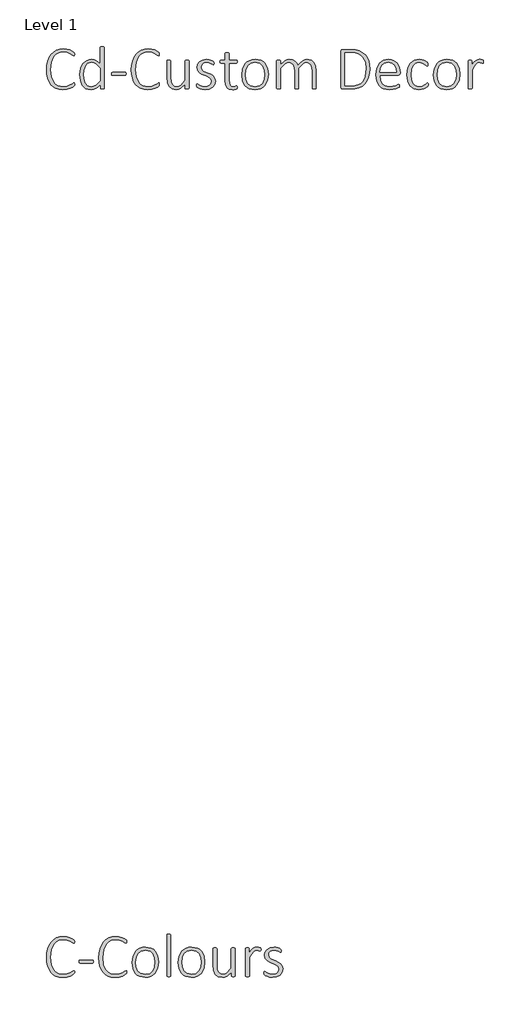
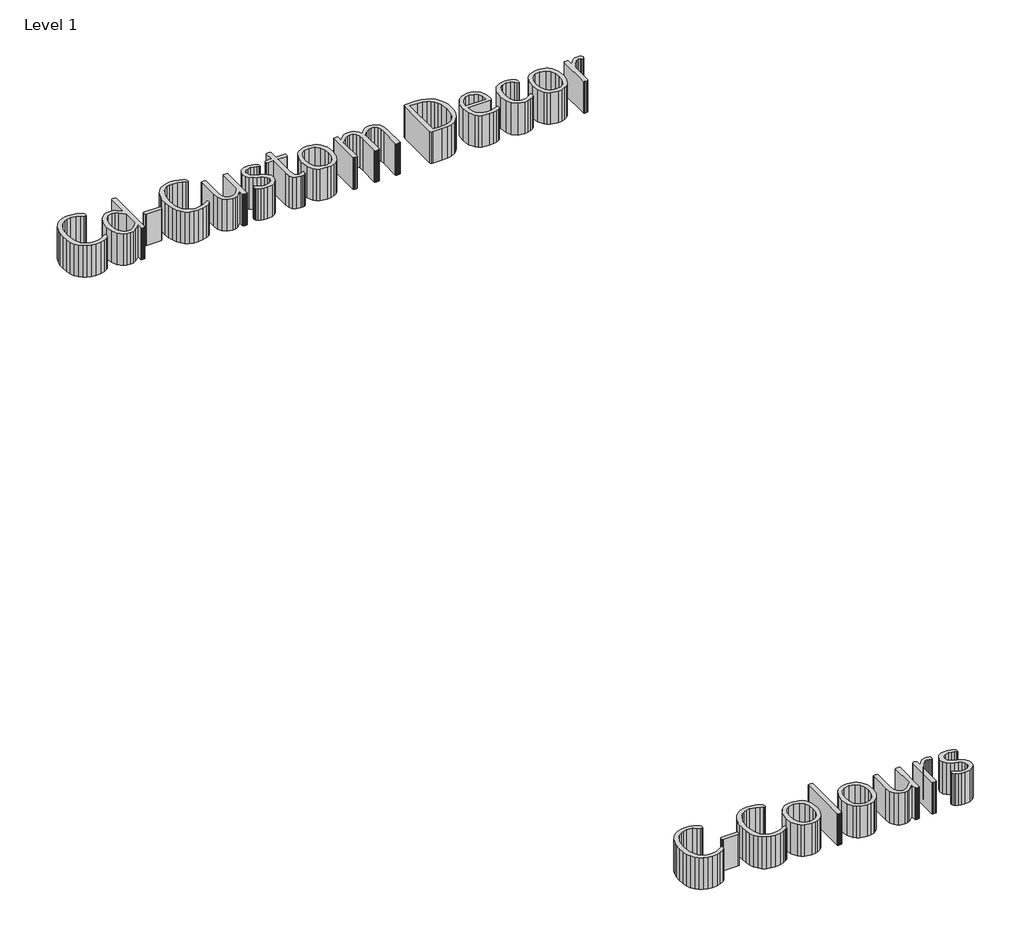
# One storey, part 3 of 4: 2 proxies.
"""IFC4 building model written with IfcOpenShell, lengths in millimetres."""

from ifc_helpers import new_model, si_unit, origin, origin_with_axes, place, context, project, spatial, polyline, outline, extrude, element, save

model = new_model("IFC4")

# Units and contexts
model_context = context("Model", 3, world=origin())
ifc_project = project(units=[si_unit("LENGTHUNIT", "METRE", prefix="MILLI")], contexts=[model_context])

# Site, building, storey
site = spatial("IfcSite", under=ifc_project)
building = spatial("IfcBuilding", under=site)
storey = spatial("IfcBuildingStorey", under=building, Name="Level 1", Elevation=0.0)

# Proxies
placement = place(None, origin())
element("IfcBuildingElementProxy", 1, Name="Generic Models", at=placement, inside=storey, context=model_context, shape_type="SweptSolid", body=[
    extrude(outline(polyline([(-8535.2690335, 1375.5982531), (-8535.4291258, 1372.620538), (-8535.9094024, 1370.2831917), (-8536.8059188, 1368.3620851), (-8538.9511544, 1366.0247388), (-8545.7390643, 1361.2860093), (-8558.8666258, 1354.7862654), (-8577.0531012, 1349.2790933), (-8599.754177, 1346.9737654), (-8618.7331089, 1348.7587936), (-8635.8389618, 1354.1138781), (-8650.7995791, 1362.9029406), (-8663.342804, 1374.9899027), (-8673.3725812, 1390.3187321), (-8680.7928553, 1408.8333966), (-8685.3794972, 1430.3657992), (-8686.9083778, 1454.7478433), (-8685.2674326, 1479.8903254), (-8680.3445971, 1502.2952306), (-8672.4440464, 1521.7464345), (-8661.8699557, 1538.0278126), (-8648.766408, 1550.9952818), (-8633.2774864, 1560.5047593), (-8615.707366, 1566.3401204), (-8596.3602221, 1568.2852408), (-8577.9175991, 1566.5242265), (-8561.3960827, 1562.0096261), (-8547.8522815, 1555.7019929), (-8539.6235417, 1549.9706917), (-8536.8059188, 1546.960958), (-8535.9094024, 1545.0398515), (-8535.4291258, 1542.6064499), (-8535.2690335, 1539.5967162), (-8535.5251811, 1536.1387244), (-8536.3576606, 1533.6092675), (-8537.7664721, 1531.9763269), (-8539.7516155, 1531.3999949), (-8546.2833778, 1534.5698208), (-8557.3937774, 1541.6458966), (-8574.2354782, 1548.7219724), (-8597.9611442, 1551.8917982), (-8612.4014618, 1550.3228945), (-8625.6250786, 1545.6161835), (-8637.3438286, 1537.8517111), (-8647.2695458, 1527.1095236), (-8661.3576606, 1497.0121876), (-8666.4165745, 1455.9005072), (-8661.8059188, 1416.5178228), (-8648.4862467, 1387.5091138), (-8638.7446355, 1377.1271338), (-8626.9378348, 1369.5467675), (-8613.2259367, 1364.9120979), (-8597.7690335, 1363.367208), (-8574.4916258, 1366.5370339), (-8557.4578143, 1373.6131097), (-8545.8671381, 1380.6891855), (-8538.919136, 1383.8590113), (-8537.254177, 1383.47479), (-8536.1975684, 1382.1300154), (-8535.5251811, 1379.56854), (-8535.2690335, 1375.5982531)])), origin_with_axes(), (0.0, 0.0, 1.0), 150.0),
    extrude(outline(polyline([(-8375.432968, 1355.3625974), (-8375.8492077, 1353.3774539), (-8377.386093, 1352.0646978), (-8380.2357344, 1351.3282736), (-8384.5902426, 1351.0721261), (-8389.1368614, 1351.2962552), (-8392.0505397, 1352.0006609), (-8393.7795356, 1353.2173617), (-8394.387886, 1355.042413), (-8394.387886, 1374.9578843), (-8418.7859393, 1354.4340626), (-8431.9775376, 1348.8388397), (-8446.3217999, 1346.9737654), (-8461.3864772, 1348.5666829), (-8474.0497713, 1353.3454355), (-8492.7165233, 1370.6033761), (-8503.2505909, 1396.1220749), (-8506.580509, 1427.2119826), (-8502.4181114, 1461.9199744), (-8490.1230294, 1488.3031712), (-8470.0474659, 1505.0488167), (-8457.1520382, 1509.4433479), (-8442.3515131, 1510.9081917), (-8429.5281268, 1509.379311), (-8417.825386, 1504.7926691), (-8395.9247713, 1486.7662859), (-8395.9247713, 1576.2898515), (-8395.5085315, 1578.1149027), (-8393.8755909, 1579.4276589), (-8390.6737467, 1580.2601384), (-8385.7429065, 1580.5803228), (-8380.6839926, 1580.2601384), (-8377.5782036, 1579.4276589), (-8375.9452631, 1578.1149027), (-8375.432968, 1576.2898515), (-8375.432968, 1355.3625974)]), holes=[polyline([(-8395.9247713, 1462.4963064), (-8419.5223635, 1486.2860093), (-8431.1530627, 1492.4575641), (-8443.3120663, 1494.514749), (-8462.9393717, 1488.94354), (-8476.2590438, 1474.2150564), (-8483.7513594, 1453.5631609), (-8486.0887057, 1430.2217162), (-8484.1035622, 1405.5034785), (-8477.283634, 1384.0831404), (-8464.4442385, 1369.0344724), (-8455.4470561, 1364.7840241), (-8444.4647303, 1363.367208), (-8433.0341463, 1365.0641855), (-8421.6035622, 1370.6994314), (-8409.4045356, 1380.8812962), (-8395.9247713, 1396.3462039), (-8395.9247713, 1462.4963064)])]), origin_with_axes(), (0.0, 0.0, 1.0), 150.0),
    extrude(outline(polyline([(-8256.580509, 1433.0393392), (-8257.8932651, 1426.5716138), (-8261.3192385, 1424.8426179), (-8329.5825581, 1424.8426179), (-8333.0725684, 1426.6356507), (-8334.4493614, 1433.0393392), (-8333.0725684, 1439.4430277), (-8329.5825581, 1441.2360605), (-8261.3192385, 1441.2360605), (-8259.4621688, 1440.8198208), (-8257.8932651, 1439.4110093), (-8256.9006934, 1436.8815523), (-8256.580509, 1433.0393392)])), origin_with_axes(), (0.0, 0.0, 1.0), 150.0),
    extrude(outline(polyline([(-8076.2526401, 1375.5982531), (-8076.4127323, 1372.620538), (-8076.893009, 1370.2831917), (-8077.7895254, 1368.3620851), (-8079.934761, 1366.0247388), (-8086.7226708, 1361.2860093), (-8099.8502323, 1354.7862654), (-8118.0367077, 1349.2790933), (-8140.7377835, 1346.9737654), (-8159.7167154, 1348.7587936), (-8176.8225684, 1354.1138781), (-8191.7831857, 1362.9029406), (-8204.3264106, 1374.9899027), (-8214.3561877, 1390.3187321), (-8221.7764618, 1408.8333966), (-8226.3631037, 1430.3657992), (-8227.8919844, 1454.7478433), (-8226.2510392, 1479.8903254), (-8221.3282036, 1502.2952306), (-8213.4276529, 1521.7464345), (-8202.8535622, 1538.0278126), (-8189.7500146, 1550.9952818), (-8174.261093, 1560.5047593), (-8156.6909726, 1566.3401204), (-8137.3438286, 1568.2852408), (-8118.9012057, 1566.5242265), (-8102.3796893, 1562.0096261), (-8088.8358881, 1555.7019929), (-8080.6071483, 1549.9706917), (-8077.7895254, 1546.960958), (-8076.893009, 1545.0398515), (-8076.4127323, 1542.6064499), (-8076.2526401, 1539.5967162), (-8076.5087876, 1536.1387244), (-8077.3412672, 1533.6092675), (-8078.7500786, 1531.9763269), (-8080.7352221, 1531.3999949), (-8087.2669844, 1534.5698208), (-8098.377384, 1541.6458966), (-8115.2190848, 1548.7219724), (-8138.9447508, 1551.8917982), (-8153.3850684, 1550.3228945), (-8166.6086852, 1545.6161835), (-8178.3274352, 1537.8517111), (-8188.2531524, 1527.1095236), (-8202.3412672, 1497.0121876), (-8207.4001811, 1455.9005072), (-8202.7895254, 1416.5178228), (-8189.4698532, 1387.5091138), (-8179.7282421, 1377.1271338), (-8167.9214413, 1369.5467675), (-8154.2095433, 1364.9120979), (-8138.7526401, 1363.367208), (-8115.4752323, 1366.5370339), (-8098.4414208, 1373.6131097), (-8086.8507446, 1380.6891855), (-8079.9027426, 1383.8590113), (-8078.2377835, 1383.47479), (-8077.1811749, 1382.1300154), (-8076.5087876, 1379.56854), (-8076.2526401, 1375.5982531)])), origin_with_axes(), (0.0, 0.0, 1.0), 150.0),
    extrude(outline(polyline([(-7916.4165745, 1355.2985605), (-7916.8328143, 1353.5055277), (-7918.4657549, 1352.1927716), (-7921.5715438, 1351.3923105), (-7926.214218, 1351.0721261), (-7931.2411135, 1351.3923105), (-7934.1868102, 1352.1927716), (-7935.6596585, 1353.5055277), (-7936.0758983, 1355.2985605), (-7936.0758983, 1376.1105482), (-7960.4739516, 1353.8577306), (-7972.368803, 1348.6947567), (-7984.231636, 1346.9737654), (-8008.2134495, 1351.936624), (-8023.9985417, 1365.3843699), (-8032.6435213, 1385.1077306), (-8035.2690335, 1412.2273515), (-8035.2690335, 1502.5193597), (-8034.8527938, 1504.3123925), (-8033.2198532, 1505.7212039), (-8030.018009, 1506.5536835), (-8025.0871688, 1506.809831), (-8020.0282549, 1506.5536835), (-8016.9224659, 1505.7212039), (-8015.2895254, 1504.3123925), (-8014.7772303, 1502.5193597), (-8014.7772303, 1413.9563474), (-8012.7280499, 1391.28729), (-8006.6125274, 1376.3346773), (-7996.1745151, 1366.761163), (-7981.3499762, 1363.367208), (-7970.5437518, 1365.5044391), (-7959.7695458, 1371.9161322), (-7936.9083778, 1396.9865728), (-7936.9083778, 1502.5833966), (-7936.4921381, 1504.3764294), (-7934.8591975, 1505.7532224), (-7931.6573532, 1506.5536835), (-7926.5984393, 1506.809831), (-7921.6675991, 1506.5536835), (-7918.5618102, 1505.7532224), (-7916.9288696, 1504.3764294), (-7916.4165745, 1502.5833966), (-7916.4165745, 1355.2985605)])), origin_with_axes(), (0.0, 0.0, 1.0), 150.0),
    extrude(outline(polyline([(-7772.9739516, 1393.528581), (-7776.9762569, 1374.0293494), (-7788.4068409, 1359.3649027), (-7806.1770766, 1350.1435912), (-7829.0702631, 1346.9737654), (-7843.894802, 1348.4466138), (-7856.5741053, 1352.1607531), (-7866.1796381, 1356.9315011), (-7871.9429577, 1361.414083), (-7874.6004885, 1365.608499), (-7875.432968, 1371.6279662), (-7875.1127835, 1375.1179765), (-7874.280304, 1377.6794519), (-7872.9355294, 1379.2483556), (-7871.1424967, 1379.7606507), (-7865.8274352, 1377.1671568), (-7857.1504372, 1371.5639294), (-7844.7272815, 1365.9607019), (-7828.0456729, 1363.367208), (-7814.1496688, 1365.0962039), (-7803.2313799, 1370.3152101), (-7796.0272303, 1379.2483556), (-7793.4657549, 1391.9916958), (-7796.8276913, 1403.9025564), (-7805.6647815, 1412.3554253), (-7818.1199557, 1418.6950769), (-7832.4001811, 1424.3943597), (-7846.6804065, 1430.8620851), (-7859.1355807, 1439.4110093), (-7867.9726708, 1451.4499437), (-7871.3346073, 1468.3876999), (-7868.3248737, 1483.8846261), (-7859.0075069, 1497.5244826), (-7842.8702118, 1507.2260708), (-7819.592804, 1510.9081917), (-7808.2902938, 1509.8836015), (-7798.0443922, 1507.1940523), (-7790.0717999, 1503.5759683), (-7784.9488491, 1500.1179765), (-7782.5794844, 1497.7486117), (-7781.7470049, 1495.9235605), (-7781.3307651, 1493.6502511), (-7781.1706729, 1490.4163884), (-7781.4268204, 1487.0224335), (-7782.1632446, 1484.4289396), (-7783.3799454, 1482.7639806), (-7785.1409598, 1482.2196671), (-7789.1112467, 1484.1407736), (-7796.0272303, 1488.367208), (-7806.2731319, 1492.5936425), (-7819.9770254, 1494.514749), (-7833.5848635, 1492.6576794), (-7843.2544331, 1487.4066548), (-7848.9537159, 1479.4340626), (-7850.842804, 1469.41229), (-7847.512886, 1457.0211527), (-7838.6757958, 1448.3121363), (-7826.1565848, 1441.780374), (-7811.9083778, 1436.0810912), (-7797.6601708, 1429.8054765), (-7785.1409598, 1421.5126999), (-7776.3038696, 1409.8579867), (-7772.9739516, 1393.528581)])), origin_with_axes(), (0.0, 0.0, 1.0), 150.0),
    extrude(outline(polyline([(-7654.1214926, 1361.2539908), (-7654.6978245, 1355.8108556), (-7656.4908573, 1352.512956), (-7660.1089413, 1350.271665), (-7665.6161135, 1348.5106507), (-7672.1798942, 1347.3900052), (-7678.967804, 1346.9737654), (-7697.6665745, 1349.983499), (-7710.3458778, 1359.0767367), (-7717.4859905, 1374.5096261), (-7719.6952631, 1396.5383146), (-7719.6952631, 1490.4163884), (-7743.1967999, 1490.4163884), (-7747.0069946, 1492.4335503), (-7748.3837876, 1498.5490728), (-7748.0315848, 1502.1991753), (-7746.9749762, 1504.7926691), (-7745.3420356, 1506.3295544), (-7743.1967999, 1506.809831), (-7719.6952631, 1506.809831), (-7719.6952631, 1543.5029662), (-7719.2790233, 1545.295999), (-7717.6460827, 1546.7048105), (-7714.4442385, 1547.53729), (-7709.5133983, 1547.7934376), (-7704.4544844, 1547.53729), (-7701.3486954, 1546.7048105), (-7699.7157549, 1545.295999), (-7699.2034598, 1543.5029662), (-7699.2034598, 1506.809831), (-7658.924259, 1506.809831), (-7656.9391155, 1506.3295544), (-7655.4022303, 1504.7926691), (-7654.441677, 1502.1991753), (-7654.1214926, 1498.5490728), (-7655.4982856, 1492.4335503), (-7658.924259, 1490.4163884), (-7699.2034598, 1490.4163884), (-7699.2034598, 1398.7155687), (-7694.4647303, 1372.4284273), (-7687.7728758, 1365.6325129), (-7677.1747713, 1363.367208), (-7670.1307139, 1364.1996876), (-7664.5915233, 1365.9927203), (-7660.4931626, 1367.7857531), (-7657.5154475, 1368.6182326), (-7655.018009, 1367.0813474), (-7654.3776401, 1364.7760195), (-7654.1214926, 1361.2539908)])), origin_with_axes(), (0.0, 0.0, 1.0), 150.0),
    extrude(outline(polyline([(-7486.0887057, 1430.5419007), (-7490.7313799, 1397.2107019), (-7504.5313286, 1370.7634683), (-7514.8252579, 1360.7657096), (-7527.3924967, 1353.2493802), (-7542.2170356, 1348.5426691), (-7559.2828655, 1346.9737654), (-7589.9565335, 1352.5769929), (-7602.0114772, 1359.3969212), (-7611.9211852, 1368.6502511), (-7625.144802, 1394.0408761), (-7629.5313286, 1427.6602408), (-7624.9847098, 1461.023458), (-7611.2808163, 1487.3746363), (-7600.9788824, 1497.2603305), (-7588.3876299, 1504.6966138), (-7573.5070586, 1509.3552972), (-7556.3371688, 1510.9081917), (-7525.6635008, 1505.3690011), (-7513.6245663, 1498.6051051), (-7503.762886, 1489.3917982), (-7490.5392692, 1464.0331917), (-7486.0887057, 1430.5419007)]), holes=[polyline([(-7506.580509, 1428.4927203), (-7509.0779475, 1453.5631609), (-7517.4027426, 1474.6312962), (-7533.0277426, 1489.1356507), (-7557.4898327, 1494.514749), (-7580.7672405, 1489.5839089), (-7596.8084803, 1475.847997), (-7606.0297917, 1455.1000462), (-7609.0395254, 1429.3892367), (-7606.5420868, 1404.0306302), (-7598.2172917, 1382.9624949), (-7582.5922917, 1368.6502511), (-7558.1302016, 1363.367208), (-7534.8527938, 1368.2980482), (-7518.811554, 1381.9379048), (-7509.5902426, 1402.5898003), (-7506.580509, 1428.4927203)])]), origin_with_axes(), (0.0, 0.0, 1.0), 150.0),
    extrude(outline(polyline([(-7227.8919844, 1355.3625974), (-7228.4042794, 1353.5695646), (-7230.03722, 1352.22479), (-7233.143009, 1351.3923105), (-7238.0738491, 1351.0721261), (-7243.1327631, 1351.3923105), (-7246.3346073, 1352.22479), (-7247.9675479, 1353.5695646), (-7248.3837876, 1355.3625974), (-7248.3837876, 1447.4476384), (-7250.2088389, 1466.6907224), (-7255.9081217, 1481.5472798), (-7265.7057651, 1491.1207941), (-7279.6337876, 1494.514749), (-7289.6715694, 1492.4895825), (-7299.8054065, 1486.414083), (-7322.1542794, 1462.6243802), (-7322.1542794, 1355.3625974), (-7322.6665745, 1353.5695646), (-7324.3315335, 1352.22479), (-7327.4693409, 1351.3923105), (-7332.4001811, 1351.0721261), (-7337.3310213, 1351.3923105), (-7340.5328655, 1352.22479), (-7342.1978245, 1353.5695646), (-7342.6460827, 1355.3625974), (-7342.6460827, 1447.4476384), (-7344.6312262, 1466.6907224), (-7350.7147303, 1481.5472798), (-7361.0566872, 1491.1207941), (-7375.8171893, 1494.514749), (-7386.3832754, 1492.4895825), (-7397.0774352, 1486.414083), (-7420.5149352, 1462.6243802), (-7420.5149352, 1355.3625974), (-7421.0272303, 1353.5695646), (-7422.6601708, 1352.22479), (-7425.7659598, 1351.3923105), (-7430.8248737, 1351.0721261), (-7435.7557139, 1351.3923105), (-7438.9575581, 1352.1927716), (-7440.5904987, 1353.5055277), (-7441.0067385, 1355.2985605), (-7441.0067385, 1502.5833966), (-7440.5904987, 1504.3764294), (-7438.9575581, 1505.7532224), (-7435.9158061, 1506.5536835), (-7431.209095, 1506.809831), (-7426.3743102, 1506.5536835), (-7423.4286135, 1505.7532224), (-7421.9557651, 1504.3764294), (-7421.5395254, 1502.5833966), (-7421.5395254, 1481.7714089), (-7396.6611954, 1504.0242265), (-7384.95045, 1509.1872004), (-7373.3197508, 1510.9081917), (-7356.3179577, 1508.5388269), (-7343.1263594, 1501.8789908), (-7333.3607344, 1491.6330892), (-7326.8289721, 1478.5055277), (-7312.5487467, 1493.8103433), (-7299.7733881, 1503.8000974), (-7288.0866565, 1509.2432326), (-7276.9442385, 1510.9081917), (-7253.7949044, 1505.945333), (-7238.6181626, 1492.561624), (-7230.3894229, 1472.9343187), (-7227.8919844, 1449.1766343), (-7227.8919844, 1355.3625974)])), origin_with_axes(), (0.0, 0.0, 1.0), 150.0),
    extrude(outline(polyline([(-6936.9083778, 1460.7673105), (-6938.589346, 1435.5127639), (-6943.6322508, 1413.4120339), (-6951.9490412, 1394.5611758), (-6963.4516667, 1379.0562449), (-6978.084095, 1366.9132506), (-6995.7902938, 1358.1482019), (-7016.8984521, 1352.841145), (-7041.736759, 1351.0721261), (-7083.4888081, 1351.0721261), (-7089.5402938, 1353.2813986), (-7092.6460827, 1361.4461015), (-7092.6460827, 1553.8129048), (-7089.5402938, 1561.9776076), (-7083.4888081, 1564.1868802), (-7038.919136, 1564.1868802), (-7014.0087876, 1562.3378151), (-6993.3248737, 1556.7906199), (-6976.2590438, 1547.8414652), (-6962.2029475, 1535.7865216), (-6951.1966078, 1520.8259043), (-6943.2800479, 1503.1597285), (-6938.5012953, 1483.0521466), (-6936.9083778, 1460.7673105)]), holes=[polyline([(-6957.4001811, 1459.8067572), (-6962.0748737, 1494.9309888), (-6968.030304, 1509.9876614), (-6976.5472098, 1522.8190523), (-6987.6335955, 1533.2650692), (-7001.2974659, 1541.1656199), (-7018.3072636, 1546.1364831), (-7039.4314311, 1547.7934376), (-7072.1542794, 1547.7934376), (-7072.1542794, 1367.4655687), (-7039.3033573, 1367.4655687), (-7019.2598122, 1368.8263525), (-7002.5461852, 1372.9087039), (-6988.754241, 1379.8406968), (-6977.4757446, 1389.7504048), (-6968.7026913, 1402.6378279), (-6962.4270766, 1418.5029662), (-6957.4001811, 1459.8067572)])]), origin_with_axes(), (0.0, 0.0, 1.0), 150.0),
    extrude(outline(polyline([(-6772.9739516, 1435.5367777), (-6776.111759, 1427.1479458), (-6782.1952631, 1424.8426179), (-6883.6296893, 1424.8426179), (-6880.8761032, 1399.5160298), (-6871.7828655, 1380.1128535), (-6855.2613491, 1367.6896978), (-6830.1588901, 1363.367208), (-6811.3000274, 1365.2562962), (-6796.8597098, 1369.514749), (-6786.8379372, 1373.7732019), (-6781.2347098, 1375.66229), (-6779.4096585, 1375.1820134), (-6778.064884, 1373.709165), (-6777.3284598, 1371.1476896), (-6777.0723122, 1367.2094212), (-6777.2324044, 1365.1282224), (-6777.6486442, 1363.2711527), (-6778.3850684, 1361.6061937), (-6779.6978245, 1360.03729), (-6784.8527938, 1357.0595749), (-6796.155304, 1352.6730482), (-6812.3246176, 1348.7347798), (-6832.1440335, 1346.9737654), (-6862.9777938, 1352.2568085), (-6875.3209034, 1358.7885708), (-6885.5187774, 1367.8177716), (-6899.3827631, 1393.3364703), (-6904.1214926, 1428.684831), (-6899.2867077, 1463.2007121), (-6885.4547405, 1489.0716138), (-6863.7782549, 1505.3049642), (-6835.5379885, 1510.9081917), (-6820.0570715, 1509.4593571), (-6807.0415745, 1505.1128535), (-6787.6383983, 1489.5518904), (-6776.4959803, 1466.8508146), (-6772.9739516, 1439.6351384), (-6772.9739516, 1435.5367777)]), holes=[polyline([(-6793.4657549, 1441.2360605), (-6795.9151657, 1463.5849335), (-6804.2879885, 1480.4266343), (-6818.2000018, 1490.9927203), (-6837.2669844, 1494.514749), (-6856.8302528, 1490.0641855), (-6871.0784598, 1478.3134171), (-6880.0116053, 1461.3436425), (-6883.6296893, 1441.2360605), (-6793.4657549, 1441.2360605)])]), origin_with_axes(), (0.0, 0.0, 1.0), 150.0),
    extrude(outline(polyline([(-6621.3346073, 1374.7017367), (-6621.4946995, 1371.2437449), (-6621.9749762, 1368.5862142), (-6622.8714926, 1366.5690523), (-6625.5930602, 1363.5593187), (-6632.7331729, 1358.1802203), (-6643.9716463, 1352.4809376), (-6657.4514106, 1348.5106507), (-6672.3720049, 1346.9737654), (-6699.7157549, 1352.2568085), (-6719.6632446, 1367.8177716), (-6731.8942897, 1393.0803228), (-6736.0887057, 1427.6602408), (-6730.901718, 1465.5380585), (-6716.6855294, 1491.3129048), (-6695.6173942, 1506.1374437), (-6669.7464926, 1510.9081917), (-6655.6583778, 1509.4353433), (-6643.2672405, 1505.5611117), (-6633.1494126, 1500.0539396), (-6626.6496688, 1494.802915), (-6623.8640643, 1491.5370339), (-6622.7114004, 1489.1036322), (-6622.1350684, 1486.2219724), (-6621.9749762, 1482.5398515), (-6623.3837876, 1475.9120339), (-6626.3935213, 1474.0229458), (-6632.0607856, 1477.22479), (-6640.6737467, 1484.2688474), (-6653.3850684, 1491.3129048), (-6671.155304, 1494.514749), (-6690.0381806, 1490.2482916), (-6704.0382446, 1477.4489191), (-6712.707238, 1456.5969084), (-6715.5969024, 1428.1725359), (-6712.4911135, 1399.7721773), (-6703.557968, 1379.4724847), (-6689.3737979, 1367.3695134), (-6670.5149352, 1363.367208), (-6653.1289208, 1366.5690523), (-6640.0333778, 1373.6131097), (-6630.7800479, 1380.6571671), (-6625.2408573, 1383.8590113), (-6623.5438799, 1383.2826794), (-6622.327179, 1381.521665), (-6621.5907549, 1378.6400052), (-6621.3346073, 1374.7017367)])), origin_with_axes(), (0.0, 0.0, 1.0), 150.0),
    extrude(outline(polyline([(-6449.2034598, 1430.5419007), (-6453.846134, 1397.2107019), (-6467.6460827, 1370.7634683), (-6477.940012, 1360.7657096), (-6490.5072508, 1353.2493802), (-6505.3317897, 1348.5426691), (-6522.3976196, 1346.9737654), (-6553.0712876, 1352.5769929), (-6565.1262313, 1359.3969212), (-6575.0359393, 1368.6502511), (-6588.2595561, 1394.0408761), (-6592.6460827, 1427.6602408), (-6588.0994639, 1461.023458), (-6574.3955704, 1487.3746363), (-6564.0936365, 1497.2603305), (-6551.502384, 1504.6966138), (-6536.6218127, 1509.3552972), (-6519.4519229, 1510.9081917), (-6488.7782549, 1505.3690011), (-6476.7393204, 1498.6051051), (-6466.8776401, 1489.3917982), (-6453.6540233, 1464.0331917), (-6449.2034598, 1430.5419007)]), holes=[polyline([(-6469.6952631, 1428.4927203), (-6472.1927016, 1453.5631609), (-6480.5174967, 1474.6312962), (-6496.1424967, 1489.1356507), (-6520.6045868, 1494.514749), (-6543.8819946, 1489.5839089), (-6559.9232344, 1475.847997), (-6569.1445458, 1455.1000462), (-6572.1542794, 1429.3892367), (-6569.6568409, 1404.0306302), (-6561.3320458, 1382.9624949), (-6545.7070458, 1368.6502511), (-6521.2449557, 1363.367208), (-6497.9675479, 1368.2980482), (-6481.9263081, 1381.9379048), (-6472.7049967, 1402.5898003), (-6469.6952631, 1428.4927203)])]), origin_with_axes(), (0.0, 0.0, 1.0), 150.0),
    extrude(outline(polyline([(-6322.1542794, 1498.6771466), (-6322.3143717, 1494.802915), (-6322.8907036, 1492.1133658), (-6323.8512569, 1490.4804253), (-6325.3561237, 1489.9040933), (-6328.7500786, 1490.6405175), (-6333.2326606, 1492.2094212), (-6338.8358881, 1493.7783249), (-6345.5917794, 1494.514749), (-6354.1086852, 1492.4335503), (-6362.84972, 1485.7416958), (-6372.4872713, 1473.5106507), (-6383.6296893, 1454.8759171), (-6383.6296893, 1355.2985605), (-6384.1419844, 1353.5055277), (-6385.7749249, 1352.1927716), (-6388.8807139, 1351.3923105), (-6393.9396278, 1351.0721261), (-6398.870468, 1351.3923105), (-6402.0723122, 1352.1927716), (-6403.7052528, 1353.5055277), (-6404.1214926, 1355.2985605), (-6404.1214926, 1502.5833966), (-6403.7052528, 1504.3764294), (-6402.0723122, 1505.7532224), (-6399.0305602, 1506.5536835), (-6394.3238491, 1506.809831), (-6389.4890643, 1506.5536835), (-6386.5433676, 1505.7532224), (-6385.0705192, 1504.3764294), (-6384.6542794, 1502.5833966), (-6384.6542794, 1479.3380072), (-6373.0956217, 1495.4753023), (-6362.9777938, 1505.0488167), (-6353.5643717, 1509.6914908), (-6344.182968, 1510.9081917), (-6339.3481831, 1510.6840626), (-6333.4888081, 1509.8836015), (-6327.8535622, 1508.47479), (-6324.3955704, 1507.0019417), (-6323.1148327, 1505.8172593), (-6322.2503348, 1502.2632121), (-6322.1542794, 1498.6771466)])), origin_with_axes(), (0.0, 0.0, 1.0), 150.0),
])
element("IfcBuildingElementProxy", 2, Name="Generic Models", at=placement, inside=storey, context=model_context, shape_type="SweptSolid", body=[
    extrude(outline(polyline([(-8535.2690335, -3424.4017469), (-8535.4291258, -3427.379462), (-8535.9094024, -3429.7168083), (-8536.8059188, -3431.6379149), (-8538.9511544, -3433.9752612), (-8545.7390643, -3438.7139907), (-8558.8666258, -3445.2137346), (-8577.0531012, -3450.7209067), (-8599.754177, -3453.0262346), (-8618.7331089, -3451.2412064), (-8635.8389618, -3445.8861219), (-8650.7995791, -3437.0970594), (-8663.342804, -3425.0100973), (-8673.3725812, -3409.6812679), (-8680.7928553, -3391.1666034), (-8685.3794972, -3369.6342008), (-8686.9083778, -3345.2521567), (-8685.2674326, -3320.1096746), (-8680.3445971, -3297.7047694), (-8672.4440464, -3278.2535655), (-8661.8699557, -3261.9721874), (-8648.766408, -3249.0047182), (-8633.2774864, -3239.4952407), (-8615.707366, -3233.6598796), (-8596.3602221, -3231.7147592), (-8577.9175991, -3233.4757735), (-8561.3960827, -3237.9903739), (-8547.8522815, -3244.2980071), (-8539.6235417, -3250.0293083), (-8536.8059188, -3253.039042), (-8535.9094024, -3254.9601485), (-8535.4291258, -3257.3935501), (-8535.2690335, -3260.4032838), (-8535.5251811, -3263.8612756), (-8536.3576606, -3266.3907325), (-8537.7664721, -3268.0236731), (-8539.7516155, -3268.6000051), (-8546.2833778, -3265.4301792), (-8557.3937774, -3258.3541034), (-8574.2354782, -3251.2780276), (-8597.9611442, -3248.1082018), (-8612.4014618, -3249.6771055), (-8625.6250786, -3254.3838165), (-8637.3438286, -3262.1482889), (-8647.2695458, -3272.8904764), (-8661.3576606, -3302.9878124), (-8666.4165745, -3344.0994928), (-8661.8059188, -3383.4821772), (-8648.4862467, -3412.4908862), (-8638.7446355, -3422.8728662), (-8626.9378348, -3430.4532325), (-8613.2259367, -3435.0879021), (-8597.7690335, -3436.632792), (-8574.4916258, -3433.4629661), (-8557.4578143, -3426.3868903), (-8545.8671381, -3419.3108145), (-8538.919136, -3416.1409887), (-8537.254177, -3416.52521), (-8536.1975684, -3417.8699846), (-8535.5251811, -3420.43146), (-8535.2690335, -3424.4017469)])), origin_with_axes(), (0.0, 0.0, 1.0), 150.0),
    extrude(outline(polyline([(-8432.8100172, -3366.9606608), (-8434.1227733, -3373.4283862), (-8437.5487467, -3375.1573821), (-8505.8120663, -3375.1573821), (-8509.3020766, -3373.3643493), (-8510.6788696, -3366.9606608), (-8509.3020766, -3360.5569723), (-8505.8120663, -3358.7639395), (-8437.5487467, -3358.7639395), (-8435.691677, -3359.1801792), (-8434.1227733, -3360.5889907), (-8433.1302016, -3363.1184477), (-8432.8100172, -3366.9606608)])), origin_with_axes(), (0.0, 0.0, 1.0), 150.0),
    extrude(outline(polyline([(-8252.4821483, -3424.4017469), (-8252.6422405, -3427.379462), (-8253.1225172, -3429.7168083), (-8254.0190335, -3431.6379149), (-8256.1642692, -3433.9752612), (-8262.952179, -3438.7139907), (-8276.0797405, -3445.2137346), (-8294.2662159, -3450.7209067), (-8316.9672917, -3453.0262346), (-8335.9462236, -3451.2412064), (-8353.0520766, -3445.8861219), (-8368.0126939, -3437.0970594), (-8380.5559188, -3425.0100973), (-8390.5856959, -3409.6812679), (-8398.00597, -3391.1666034), (-8402.5926119, -3369.6342008), (-8404.1214926, -3345.2521567), (-8402.4805474, -3320.1096746), (-8397.5577118, -3297.7047694), (-8389.6571611, -3278.2535655), (-8379.0830704, -3261.9721874), (-8365.9795228, -3249.0047182), (-8350.4906012, -3239.4952407), (-8332.9204808, -3233.6598796), (-8313.5733368, -3231.7147592), (-8295.1307139, -3233.4757735), (-8278.6091975, -3237.9903739), (-8265.0653963, -3244.2980071), (-8256.8366565, -3250.0293083), (-8254.0190335, -3253.039042), (-8253.1225172, -3254.9601485), (-8252.6422405, -3257.3935501), (-8252.4821483, -3260.4032838), (-8252.7382958, -3263.8612756), (-8253.5707754, -3266.3907325), (-8254.9795868, -3268.0236731), (-8256.9647303, -3268.6000051), (-8263.4964926, -3265.4301792), (-8274.6068922, -3258.3541034), (-8291.448593, -3251.2780276), (-8315.174259, -3248.1082018), (-8329.6145766, -3249.6771055), (-8342.8381934, -3254.3838165), (-8354.5569434, -3262.1482889), (-8364.4826606, -3272.8904764), (-8378.5707754, -3302.9878124), (-8383.6296893, -3344.0994928), (-8379.0190335, -3383.4821772), (-8365.6993614, -3412.4908862), (-8355.9577502, -3422.8728662), (-8344.1509495, -3430.4532325), (-8330.4390515, -3435.0879021), (-8314.9821483, -3436.632792), (-8291.7047405, -3433.4629661), (-8274.670929, -3426.3868903), (-8263.0802528, -3419.3108145), (-8256.1322508, -3416.1409887), (-8254.4672917, -3416.52521), (-8253.4106831, -3417.8699846), (-8252.7382958, -3420.43146), (-8252.4821483, -3424.4017469)])), origin_with_axes(), (0.0, 0.0, 1.0), 150.0),
    extrude(outline(polyline([(-8080.3510008, -3369.4580993), (-8084.9936749, -3402.7892981), (-8098.7936237, -3429.2365317), (-8109.087553, -3439.2342904), (-8121.6547917, -3446.7506198), (-8136.4793307, -3451.4573309), (-8153.5451606, -3453.0262346), (-8184.2188286, -3447.4230071), (-8196.2737723, -3440.6030788), (-8206.1834803, -3431.3497489), (-8219.4070971, -3405.9591239), (-8223.7936237, -3372.3397592), (-8219.2470049, -3338.976542), (-8205.5431114, -3312.6253637), (-8195.2411775, -3302.7396695), (-8182.6499249, -3295.3033862), (-8167.7693537, -3290.6447028), (-8150.5994639, -3289.0918083), (-8119.9257958, -3294.6309989), (-8107.8868614, -3301.3948949), (-8098.0251811, -3310.6082018), (-8084.8015643, -3335.9668083), (-8080.3510008, -3369.4580993)]), holes=[polyline([(-8100.842804, -3371.5072797), (-8103.3402426, -3346.4368391), (-8111.6650376, -3325.3687038), (-8127.2900376, -3310.8643493), (-8151.7521278, -3305.485251), (-8175.0295356, -3310.4160911), (-8191.0707754, -3324.152003), (-8200.2920868, -3344.8999538), (-8203.3018204, -3370.6107633), (-8200.8043819, -3395.9693698), (-8192.4795868, -3417.0375051), (-8176.8545868, -3431.3497489), (-8152.3924967, -3436.632792), (-8129.1150889, -3431.7019518), (-8113.0738491, -3418.0620952), (-8103.8525376, -3397.4101997), (-8100.842804, -3371.5072797)])]), origin_with_axes(), (0.0, 0.0, 1.0), 150.0),
    extrude(outline(polyline([(-8014.7772303, -3444.6374026), (-8015.2895254, -3446.4624538), (-8016.9224659, -3447.77521), (-8020.0282549, -3448.6076895), (-8025.0871688, -3448.9278739), (-8030.018009, -3448.6076895), (-8033.2198532, -3447.77521), (-8034.8527938, -3446.4624538), (-8035.2690335, -3444.6374026), (-8035.2690335, -3223.7101485), (-8034.8527938, -3221.8850973), (-8033.2198532, -3220.5083042), (-8030.018009, -3219.6758247), (-8025.0871688, -3219.4196772), (-8020.0282549, -3219.6758247), (-8016.9224659, -3220.5083042), (-8015.2895254, -3221.8850973), (-8014.7772303, -3223.7101485), (-8014.7772303, -3444.6374026)])), origin_with_axes(), (0.0, 0.0, 1.0), 150.0),
    extrude(outline(polyline([(-7830.3510008, -3369.4580993), (-7834.9936749, -3402.7892981), (-7848.7936237, -3429.2365317), (-7859.087553, -3439.2342904), (-7871.6547917, -3446.7506198), (-7886.4793307, -3451.4573309), (-7903.5451606, -3453.0262346), (-7934.2188286, -3447.4230071), (-7946.2737723, -3440.6030788), (-7956.1834803, -3431.3497489), (-7969.4070971, -3405.9591239), (-7973.7936237, -3372.3397592), (-7969.2470049, -3338.976542), (-7955.5431114, -3312.6253637), (-7945.2411775, -3302.7396695), (-7932.6499249, -3295.3033862), (-7917.7693537, -3290.6447028), (-7900.5994639, -3289.0918083), (-7869.9257958, -3294.6309989), (-7857.8868614, -3301.3948949), (-7848.0251811, -3310.6082018), (-7834.8015643, -3335.9668083), (-7830.3510008, -3369.4580993)]), holes=[polyline([(-7850.842804, -3371.5072797), (-7853.3402426, -3346.4368391), (-7861.6650376, -3325.3687038), (-7877.2900376, -3310.8643493), (-7901.7521278, -3305.485251), (-7925.0295356, -3310.4160911), (-7941.0707754, -3324.152003), (-7950.2920868, -3344.8999538), (-7953.3018204, -3370.6107633), (-7950.8043819, -3395.9693698), (-7942.4795868, -3417.0375051), (-7926.8545868, -3431.3497489), (-7902.3924967, -3436.632792), (-7879.1150889, -3431.7019518), (-7863.0738491, -3418.0620952), (-7853.8525376, -3397.4101997), (-7850.842804, -3371.5072797)])]), origin_with_axes(), (0.0, 0.0, 1.0), 150.0),
    extrude(outline(polyline([(-7666.4165745, -3444.7014395), (-7666.8328143, -3446.4944723), (-7668.4657549, -3447.8072284), (-7671.5715438, -3448.6076895), (-7676.214218, -3448.9278739), (-7681.2411135, -3448.6076895), (-7684.1868102, -3447.8072284), (-7685.6596585, -3446.4944723), (-7686.0758983, -3444.7014395), (-7686.0758983, -3423.8894518), (-7710.4739516, -3446.1422694), (-7722.368803, -3451.3052433), (-7734.231636, -3453.0262346), (-7758.2134495, -3448.063376), (-7773.9985417, -3434.6156301), (-7782.6435213, -3414.8922694), (-7785.2690335, -3387.7726485), (-7785.2690335, -3297.4806403), (-7784.8527938, -3295.6876075), (-7783.2198532, -3294.2787961), (-7780.018009, -3293.4463165), (-7775.0871688, -3293.190169), (-7770.0282549, -3293.4463165), (-7766.9224659, -3294.2787961), (-7765.2895254, -3295.6876075), (-7764.7772303, -3297.4806403), (-7764.7772303, -3386.0436526), (-7762.7280499, -3408.71271), (-7756.6125274, -3423.6653227), (-7746.1745151, -3433.238837), (-7731.3499762, -3436.632792), (-7720.5437518, -3434.4955609), (-7709.7695458, -3428.0838678), (-7686.9083778, -3403.0134272), (-7686.9083778, -3297.4166034), (-7686.4921381, -3295.6235706), (-7684.8591975, -3294.2467776), (-7681.6573532, -3293.4463165), (-7676.5984393, -3293.190169), (-7671.6675991, -3293.4463165), (-7668.5618102, -3294.2467776), (-7666.9288696, -3295.6235706), (-7666.4165745, -3297.4166034), (-7666.4165745, -3444.7014395)])), origin_with_axes(), (0.0, 0.0, 1.0), 150.0),
    extrude(outline(polyline([(-7527.0723122, -3301.3228534), (-7527.2324044, -3305.197085), (-7527.8087364, -3307.8866342), (-7528.7692897, -3309.5195747), (-7530.2741565, -3310.0959067), (-7533.6681114, -3309.3594825), (-7538.1506934, -3307.7905788), (-7543.7539208, -3306.2216751), (-7550.5098122, -3305.485251), (-7559.026718, -3307.5664497), (-7567.7677528, -3314.2583042), (-7577.405304, -3326.4893493), (-7588.5477221, -3345.1240829), (-7588.5477221, -3444.7014395), (-7589.0600172, -3446.4944723), (-7590.6929577, -3447.8072284), (-7593.7987467, -3448.6076895), (-7598.8576606, -3448.9278739), (-7603.7885008, -3448.6076895), (-7606.990345, -3447.8072284), (-7608.6232856, -3446.4944723), (-7609.0395254, -3444.7014395), (-7609.0395254, -3297.4166034), (-7608.6232856, -3295.6235706), (-7606.990345, -3294.2467776), (-7603.948593, -3293.4463165), (-7599.2418819, -3293.190169), (-7594.4070971, -3293.4463165), (-7591.4614004, -3294.2467776), (-7589.988552, -3295.6235706), (-7589.5723122, -3297.4166034), (-7589.5723122, -3320.6619928), (-7578.0136544, -3304.5246977), (-7567.8958266, -3294.9511833), (-7558.4824044, -3290.3085092), (-7549.1010008, -3289.0918083), (-7544.2662159, -3289.3159374), (-7538.4068409, -3290.1163985), (-7532.771595, -3291.52521), (-7529.3136032, -3292.9980583), (-7528.0328655, -3294.1827407), (-7527.1683676, -3297.7367879), (-7527.0723122, -3301.3228534)])), origin_with_axes(), (0.0, 0.0, 1.0), 150.0),
    extrude(outline(polyline([(-7408.2198532, -3406.471419), (-7412.2221585, -3425.9706506), (-7423.6527426, -3440.6350973), (-7441.4229782, -3449.8564088), (-7464.3161647, -3453.0262346), (-7479.1407036, -3451.5533862), (-7491.8200069, -3447.8392469), (-7501.4255397, -3443.0684989), (-7507.1888594, -3438.585917), (-7509.8463901, -3434.391501), (-7510.6788696, -3428.3720338), (-7510.3586852, -3424.8820235), (-7509.5262057, -3422.3205481), (-7508.1814311, -3420.7516444), (-7506.3883983, -3420.2393493), (-7501.0733368, -3422.8328432), (-7492.3963389, -3428.4360706), (-7479.9731831, -3434.0392981), (-7463.2915745, -3436.632792), (-7449.3955704, -3434.9037961), (-7438.4772815, -3429.6847899), (-7431.2731319, -3420.7516444), (-7428.7116565, -3408.0083042), (-7432.073593, -3396.0974436), (-7440.9106831, -3387.6445747), (-7453.3658573, -3381.3049231), (-7467.6460827, -3375.6056403), (-7481.9263081, -3369.1379149), (-7494.3814823, -3360.5889907), (-7503.2185725, -3348.5500563), (-7506.580509, -3331.6123001), (-7503.5707754, -3316.1153739), (-7494.2534085, -3302.4755174), (-7478.1161135, -3292.7739292), (-7454.8387057, -3289.0918083), (-7443.5361954, -3290.1163985), (-7433.2902938, -3292.8059477), (-7425.3177016, -3296.4240317), (-7420.1947508, -3299.8820235), (-7417.825386, -3302.2513883), (-7416.9929065, -3304.0764395), (-7416.5766667, -3306.3497489), (-7416.4165745, -3309.5836116), (-7416.6727221, -3312.9775665), (-7417.4091463, -3315.5710604), (-7418.6258471, -3317.2360194), (-7420.3868614, -3317.7803329), (-7424.3571483, -3315.8592264), (-7431.2731319, -3311.632792), (-7441.5190335, -3307.4063575), (-7455.222927, -3305.485251), (-7468.8307651, -3307.3423206), (-7478.5003348, -3312.5933452), (-7484.1996176, -3320.5659374), (-7486.0887057, -3330.58771), (-7482.7587876, -3342.9788473), (-7473.9216975, -3351.6878637), (-7461.4024864, -3358.219626), (-7447.1542794, -3363.9189088), (-7432.9060725, -3370.1945235), (-7420.3868614, -3378.4873001), (-7411.5497713, -3390.1420133), (-7408.2198532, -3406.471419)])), origin_with_axes(), (0.0, 0.0, 1.0), 150.0),
])

save(model, "model.ifc")
